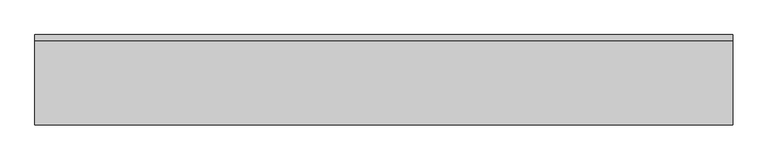
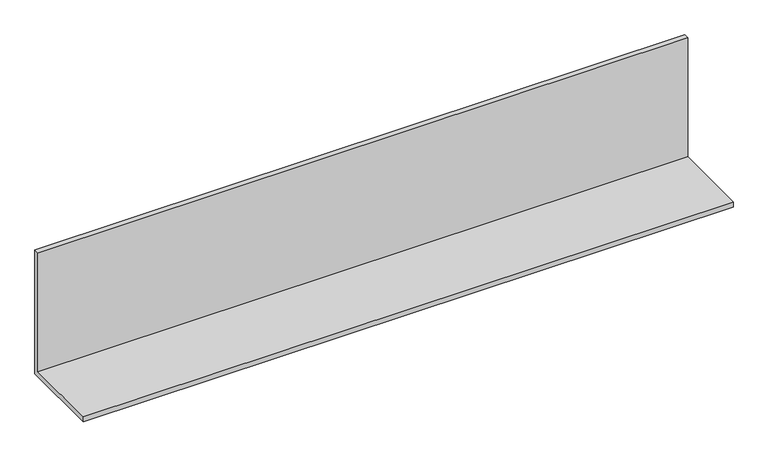
"""IFC4 building model written with IfcOpenShell, lengths in millimetres: furniture geometry."""

import ifcopenshell
import ifcopenshell.guid

model = None  # the IFC model being written
_history = None  # IfcOwnerHistory: only IFC2X3 demands one
_inside = {}  # id of a spatial element -> (the spatial element, [elements in it])
_under = {}  # id of a project, library or spatial element -> (it, [spatial elements below it])
_declared = {}  # id of a project -> (the project, [libraries it declares])
_typed = {}  # id of a type object -> (the type object, [elements of that type])
_made_of = {}  # id of a material, layer set ... -> (it, [elements and type objects made of it])


def new_model(schema):
    """Start an empty IFC model of exactly this schema.

    Asked for "IFC4X3", IfcOpenShell would pick the latest addendum, in which some entities
    have other attributes; the version numbers below select the first issue.
    IFC2X3 requires an IfcOwnerHistory on every rooted entity: one is made here for all.
    """
    global model, _history
    if schema == "IFC4X3":
        model = ifcopenshell.file(schema_version=(4, 3, 0, 0))
    else:
        model = ifcopenshell.file(schema=schema)
    _inside.clear()
    _under.clear()
    _declared.clear()
    _typed.clear()
    _made_of.clear()
    _history = None
    if model.schema == "IFC2X3":
        org = make("IfcOrganization", Name="unknown")
        user = make(
            "IfcPersonAndOrganization",
            ThePerson=make("IfcPerson", FamilyName="unknown"),
            TheOrganization=org,
        )
        app = make(
            "IfcApplication",
            ApplicationDeveloper=org,
            Version="unknown",
            ApplicationFullName="unknown",
            ApplicationIdentifier="unknown",
        )
        _history = make(
            "IfcOwnerHistory",
            OwningUser=user,
            OwningApplication=app,
            ChangeAction="ADDED",
            CreationDate=0,
        )
    return model


def make(cls, **values):
    """One entity of the class cls with the attributes given. An attribute that is None is left unset."""
    return model.create_entity(
        cls, **{name: value for name, value in values.items() if value is not None}
    )


def rooted(cls, **values):
    """An entity with a GlobalId (a new one), such as an element, a storey or a relation."""
    return make(cls, GlobalId=ifcopenshell.guid.new(), OwnerHistory=_history, **values)


def si_unit(unit_type, name, prefix=None):
    """IfcSIUnit, for example si_unit("LENGTHUNIT", "METRE", prefix="MILLI")."""
    return make("IfcSIUnit", UnitType=unit_type, Prefix=prefix, Name=name)


def assignment(units):
    """IfcUnitAssignment: the units of a project."""
    return None if units is None else make("IfcUnitAssignment", Units=units)


def point(xyz):
    """IfcCartesianPoint."""
    return None if xyz is None else make("IfcCartesianPoint", Coordinates=xyz)


def direction(xyz):
    """IfcDirection."""
    return None if xyz is None else make("IfcDirection", DirectionRatios=xyz)


def frame(location, z_axis=None, x_axis=None):
    """IfcAxis2Placement3D, a coordinate frame: its origin and axes. An axis left out is left unset."""
    return make(
        "IfcAxis2Placement3D",
        Location=point(location),
        Axis=direction(z_axis),
        RefDirection=direction(x_axis),
    )


def origin():
    """The frame at (0, 0, 0) with its axes left unset."""
    return frame((0.0, 0.0, 0.0))


def place(relative_to, where):
    """IfcLocalPlacement: puts the frame where relative to a parent placement (None: the world)."""
    return make(
        "IfcLocalPlacement", PlacementRelTo=relative_to, RelativePlacement=where
    )


def context(
    kind, dimensions, precision=None, world=None, true_north=None, identifier=None
):
    """IfcGeometricRepresentationContext, for example the 3D "Model" context."""
    return make(
        "IfcGeometricRepresentationContext",
        ContextIdentifier=identifier,
        ContextType=kind,
        CoordinateSpaceDimension=dimensions,
        Precision=precision,
        WorldCoordinateSystem=world,
        TrueNorth=true_north,
    )


def project(units=None, contexts=None):
    """IfcProject with its units and contexts."""
    return rooted(
        "IfcProject",
        Name="project",
        RepresentationContexts=contexts,
        UnitsInContext=assignment(units),
    )


def spatial(cls, under=None, at=None, **own):
    """A site, building, storey or space (cls), placed at a placement, below another one or the project."""
    s = rooted(cls, ObjectPlacement=at, **own)
    if under is not None:
        _under.setdefault(under.id(), (under, []))[1].append(s)
    return s


def polyline(points):
    """IfcPolyline through the points."""
    return make("IfcPolyline", Points=[point(p) for p in points])


def outline(outer, holes=None, kind="AREA"):
    """IfcArbitraryClosedProfileDef: a profile drawn as a closed curve; with holes, ...WithVoids."""
    if holes is None:
        return make("IfcArbitraryClosedProfileDef", ProfileType=kind, OuterCurve=outer)
    return make(
        "IfcArbitraryProfileDefWithVoids",
        ProfileType=kind,
        OuterCurve=outer,
        InnerCurves=holes,
    )


def extrude(swept, where, along, depth):
    """IfcExtrudedAreaSolid: the profile swept, set in the frame where, extruded along a direction by depth."""
    return make(
        "IfcExtrudedAreaSolid",
        SweptArea=swept,
        Position=where,
        ExtrudedDirection=direction(along),
        Depth=depth,
    )


def shape(context_of_items, identifier, shape_type, items):
    """IfcShapeRepresentation: the items that make up one representation, for example the "Body"."""
    return make(
        "IfcShapeRepresentation",
        ContextOfItems=context_of_items,
        RepresentationIdentifier=identifier,
        RepresentationType=shape_type,
        Items=items,
    )


def source(mapping_origin, context_of_items, identifier, shape_type, items):
    """IfcRepresentationMap: a shape defined once, which mapped items show again and again."""
    return make(
        "IfcRepresentationMap",
        MappingOrigin=mapping_origin,
        MappedRepresentation=shape(context_of_items, identifier, shape_type, items),
    )


def transform(
    local_origin,
    x_axis=None,
    y_axis=None,
    z_axis=None,
    scale=None,
    scale2=None,
    scale3=None,
    uniform=True,
):
    """IfcCartesianTransformationOperator3D, or its non-uniform kind. x_axis, y_axis, z_axis: its Axis1, 2, 3."""
    if uniform:
        return make(
            "IfcCartesianTransformationOperator3D",
            Axis1=direction(x_axis),
            Axis2=direction(y_axis),
            LocalOrigin=point(local_origin),
            Scale=scale,
            Axis3=direction(z_axis),
        )
    return make(
        "IfcCartesianTransformationOperator3DnonUniform",
        Axis1=direction(x_axis),
        Axis2=direction(y_axis),
        LocalOrigin=point(local_origin),
        Scale=scale,
        Axis3=direction(z_axis),
        Scale2=scale2,
        Scale3=scale3,
    )


def mapped(mapping_source, mapping_target):
    """IfcMappedItem: shows the shape of a source again, moved by a transform."""
    return make(
        "IfcMappedItem", MappingSource=mapping_source, MappingTarget=mapping_target
    )


def made_of(thing, what):
    """Note that an element or type object is made of a material, layer set ...; save() writes the relation."""
    if what is not None:
        _made_of.setdefault(what.id(), (what, []))[1].append(thing)
    return thing


def element(
    cls,
    number,
    at=None,
    inside=None,
    cuts=None,
    type_object=None,
    material=None,
    context=None,
    identifier="Body",
    shape_type=None,
    held_by="IfcProductDefinitionShape",
    body=None,
    shapes=None,
    **own,
):
    """One element of the class cls, such as IfcWall. Its Tag is "e" and its number.

    at: its placement. inside: the storey or other place that contains it. cuts: it is an
    opening in that element (IfcRelVoidsElement). A single representation is given by context,
    identifier, shape_type and body (its items); several are given by shapes. held_by: the class
    of the entity that holds the representations. save() writes the other relations.
    """
    e = rooted(cls, Tag="e%d" % number, ObjectPlacement=at, **own)
    if body is not None:
        shapes = [shape(context, identifier, shape_type, body)]
    if shapes is not None:
        e.Representation = make(held_by, Representations=shapes)
    if inside is not None:
        _inside.setdefault(inside.id(), (inside, []))[1].append(e)
    if cuts is not None:
        rooted(
            "IfcRelVoidsElement", RelatingBuildingElement=cuts, RelatedOpeningElement=e
        )
    if type_object is not None:
        _typed.setdefault(type_object.id(), (type_object, []))[1].append(e)
    return made_of(e, material)


def aggregate(whole, parts):
    """IfcRelAggregates: a whole, such as a stair, and the parts it consists of."""
    return rooted("IfcRelAggregates", RelatingObject=whole, RelatedObjects=parts)


def save(model, path):
    """Write the relations noted so far, then the file.

    IfcRelAggregates (storeys below a building ...), IfcRelContainedInSpatialStructure (elements
    in a storey), IfcRelDefinesByType, IfcRelAssociatesMaterial and IfcRelDeclares: one each for
    every whole, place, type object, material and project.
    """
    for whole, parts in _under.values():
        aggregate(whole, parts)
    for where, things in _inside.values():
        rooted(
            "IfcRelContainedInSpatialStructure",
            RelatedElements=things,
            RelatingStructure=where,
        )
    for kind, things in _typed.values():
        rooted("IfcRelDefinesByType", RelatedObjects=things, RelatingType=kind)
    for what, things in _made_of.values():
        rooted("IfcRelAssociatesMaterial", RelatedObjects=things, RelatingMaterial=what)
    for by, libraries in _declared.values():
        rooted("IfcRelDeclares", RelatingContext=by, RelatedDefinitions=libraries)
    model.write(path)


def furniture_60073e49(model_context):
    return source(origin(), model_context, "Body", "SweptSolid", [
        extrude(outline(polyline([(57.15, 1311.275), (-247.65, 1311.275), (-247.65, 1330.325), (38.1, 1330.325), (38.1, 1786.001), (57.15, 1786.001), (57.15, 1311.275)])), frame((0.0, 0.0, 0.0), z_axis=(1.0, 0.0, 0.0), x_axis=(0.0, 1.0, 0.0)), (0.0, 0.0, 1.0), 2352.802),
    ])


if __name__ == "__main__":
    model = new_model("IFC4")
    model_context = context("Model", 3, world=origin())
    ifc_project = project(units=[si_unit("LENGTHUNIT", "METRE", prefix="MILLI")], contexts=[model_context])
    site = spatial("IfcSite", under=ifc_project)
    building = spatial("IfcBuilding", under=site)
    placement = place(None, origin())
    furniture_shape = furniture_60073e49(model_context)
    element("IfcFurniture", 1, at=placement, inside=building, context=model_context, shape_type="MappedRepresentation", body=[
        mapped(furniture_shape, transform((0.0, 0.0, 0.0), x_axis=(1.0, 0.0, 0.0), y_axis=(0.0, 1.0, 0.0), z_axis=(0.0, 0.0, 1.0))),
    ])
    save(model, "model.ifc")
